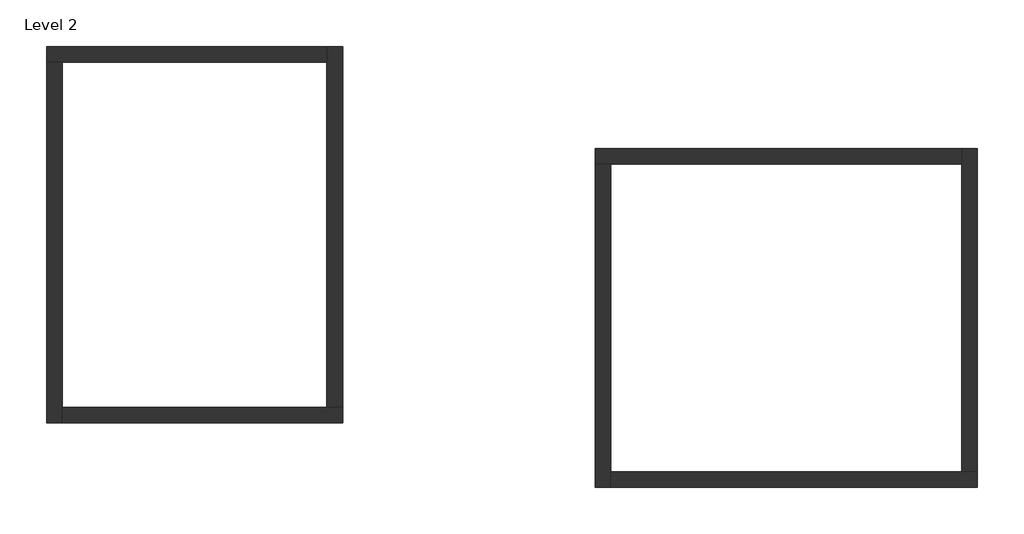
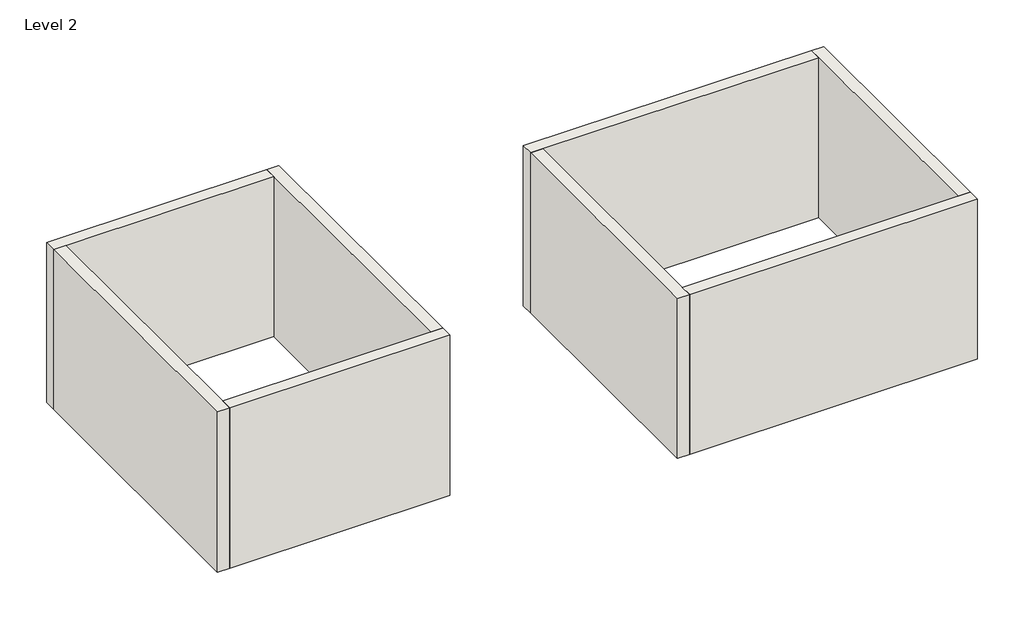
# One storey: 8 walls.
"""IFC4 building model written with IfcOpenShell, lengths in millimetres."""

from ifc_helpers import new_model, si_unit, origin, place, context, project, spatial, faceted_brep, element, save

model = new_model("IFC4")

# Units and contexts
model_context = context("Model", 3, world=origin())
ifc_project = project(units=[si_unit("LENGTHUNIT", "METRE", prefix="MILLI")], contexts=[model_context])

# Site, building, storey
site = spatial("IfcSite", under=ifc_project)
building = spatial("IfcBuilding", under=site)
storey = spatial("IfcBuildingStorey", under=building, Name="Level 2", Elevation=4000.0)

# Walls
placement = place(None, origin())
element("IfcWall", 1, at=placement, inside=storey, context=model_context, shape_type="Brep", body=[
    faceted_brep([(-7302.4188622, -772.1582327, 4000.0), (-7012.4188622, -772.1582327, 4000.0), (-2102.4188622, -772.1582327, 4000.0), (-2102.4188622, -772.1582327, 8000.0), (-7012.4188622, -772.1582327, 8000.0), (-7302.4188622, -772.1582327, 8000.0), (-7302.4188622, -482.1582327, 4000.0), (-7302.4188622, -482.1582327, 8000.0), (-2102.4188622, -482.1582327, 8000.0), (-2102.4188622, -482.1582327, 4000.0)], [[[0, 1, 2, 3, 4, 5]], [[6, 7, 8, 9]], [[2, 1, 0, 6, 9]], [[5, 4, 3, 8, 7]], [[0, 5, 7, 6]], [[3, 2, 9, 8]]]),
])
element("IfcWall", 2, at=placement, inside=storey, context=model_context, shape_type="Brep", body=[
    faceted_brep([(-7012.4188622, -7472.1582327, 4000.0), (-7012.4188622, -7182.1582327, 4000.0), (-7012.4188622, -772.1582327, 4000.0), (-7012.4188622, -772.1582327, 8000.0), (-7012.4188622, -7182.1582327, 8000.0), (-7012.4188622, -7472.1582327, 8000.0), (-7302.4188622, -7472.1582327, 4000.0), (-7302.4188622, -7472.1582327, 8000.0), (-7302.4188622, -772.1582327, 8000.0), (-7302.4188622, -772.1582327, 4000.0)], [[[0, 1, 2, 3, 4, 5]], [[6, 7, 8, 9]], [[2, 1, 0, 6, 9]], [[5, 4, 3, 8, 7]], [[0, 5, 7, 6]], [[3, 2, 9, 8]]]),
])
element("IfcWall", 3, at=placement, inside=storey, context=model_context, shape_type="Brep", body=[
    faceted_brep([(-1812.4188622, -7182.1582327, 4000.0), (-2102.4188622, -7182.1582327, 4000.0), (-7012.4188622, -7182.1582327, 4000.0), (-7012.4188622, -7182.1582327, 8000.0), (-2102.4188622, -7182.1582327, 8000.0), (-1812.4188622, -7182.1582327, 8000.0), (-1812.4188622, -7472.1582327, 4000.0), (-1812.4188622, -7472.1582327, 8000.0), (-7012.4188622, -7472.1582327, 8000.0), (-7012.4188622, -7472.1582327, 4000.0)], [[[0, 1, 2, 3, 4, 5]], [[6, 7, 8, 9]], [[2, 1, 0, 6, 9]], [[5, 4, 3, 8, 7]], [[0, 5, 7, 6]], [[3, 2, 9, 8]]]),
])
element("IfcWall", 4, at=placement, inside=storey, context=model_context, shape_type="Brep", body=[
    faceted_brep([(-2102.4188622, -482.1582327, 4000.0), (-2102.4188622, -772.1582327, 4000.0), (-2102.4188622, -7182.1582327, 4000.0), (-2102.4188622, -7182.1582327, 8000.0), (-2102.4188622, -772.1582327, 8000.0), (-2102.4188622, -482.1582327, 8000.0), (-1812.4188622, -482.1582327, 4000.0), (-1812.4188622, -482.1582327, 8000.0), (-1812.4188622, -7182.1582327, 8000.0), (-1812.4188622, -7182.1582327, 4000.0)], [[[0, 1, 2, 3, 4, 5]], [[6, 7, 8, 9]], [[2, 1, 0, 6, 9]], [[5, 4, 3, 8, 7]], [[0, 5, 7, 6]], [[3, 2, 9, 8]]]),
])
element("IfcWall", 5, at=placement, inside=storey, context=model_context, shape_type="Brep", body=[
    faceted_brep([(2870.4021667, -2663.2595778, 4000.0), (3160.4021667, -2663.2595778, 4000.0), (9670.4021667, -2663.2595778, 4000.0), (9670.4021667, -2663.2595778, 8000.0), (3160.4021667, -2663.2595778, 8000.0), (2870.4021667, -2663.2595778, 8000.0), (2870.4021667, -2373.2595778, 4000.0), (2870.4021667, -2373.2595778, 8000.0), (9670.4021667, -2373.2595778, 8000.0), (9670.4021667, -2373.2595778, 4000.0)], [[[0, 1, 2, 3, 4, 5]], [[6, 7, 8, 9]], [[2, 1, 0, 6, 9]], [[5, 4, 3, 8, 7]], [[0, 5, 7, 6]], [[3, 2, 9, 8]]]),
])
element("IfcWall", 6, at=placement, inside=storey, context=model_context, shape_type="Brep", body=[
    faceted_brep([(3160.4021667, -8663.2595778, 4000.0), (3160.4021667, -8373.2595778, 4000.0), (3160.4021667, -2663.2595778, 4000.0), (3160.4021667, -2663.2595778, 8000.0), (3160.4021667, -8373.2595778, 8000.0), (3160.4021667, -8663.2595778, 8000.0), (2870.4021667, -8663.2595778, 4000.0), (2870.4021667, -8663.2595778, 8000.0), (2870.4021667, -2663.2595778, 8000.0), (2870.4021667, -2663.2595778, 4000.0)], [[[0, 1, 2, 3, 4, 5]], [[6, 7, 8, 9]], [[2, 1, 0, 6, 9]], [[5, 4, 3, 8, 7]], [[0, 5, 7, 6]], [[3, 2, 9, 8]]]),
])
element("IfcWall", 7, at=placement, inside=storey, context=model_context, shape_type="Brep", body=[
    faceted_brep([(9960.4021667, -8373.2595778, 4000.0), (9670.4021667, -8373.2595778, 4000.0), (3160.4021667, -8373.2595778, 4000.0), (3160.4021667, -8373.2595778, 8000.0), (9670.4021667, -8373.2595778, 8000.0), (9960.4021667, -8373.2595778, 8000.0), (9960.4021667, -8663.2595778, 4000.0), (9960.4021667, -8663.2595778, 8000.0), (3160.4021667, -8663.2595778, 8000.0), (3160.4021667, -8663.2595778, 4000.0)], [[[0, 1, 2, 3, 4, 5]], [[6, 7, 8, 9]], [[2, 1, 0, 6, 9]], [[5, 4, 3, 8, 7]], [[0, 5, 7, 6]], [[3, 2, 9, 8]]]),
])
element("IfcWall", 8, at=placement, inside=storey, context=model_context, shape_type="Brep", body=[
    faceted_brep([(9670.4021667, -2373.2595778, 4000.0), (9670.4021667, -2663.2595778, 4000.0), (9670.4021667, -8373.2595778, 4000.0), (9670.4021667, -8373.2595778, 8000.0), (9670.4021667, -2663.2595778, 8000.0), (9670.4021667, -2373.2595778, 8000.0), (9960.4021667, -2373.2595778, 4000.0), (9960.4021667, -2373.2595778, 8000.0), (9960.4021667, -8373.2595778, 8000.0), (9960.4021667, -8373.2595778, 4000.0)], [[[0, 1, 2, 3, 4, 5]], [[6, 7, 8, 9]], [[2, 1, 0, 6, 9]], [[5, 4, 3, 8, 7]], [[0, 5, 7, 6]], [[3, 2, 9, 8]]]),
])

save(model, "model.ifc")
